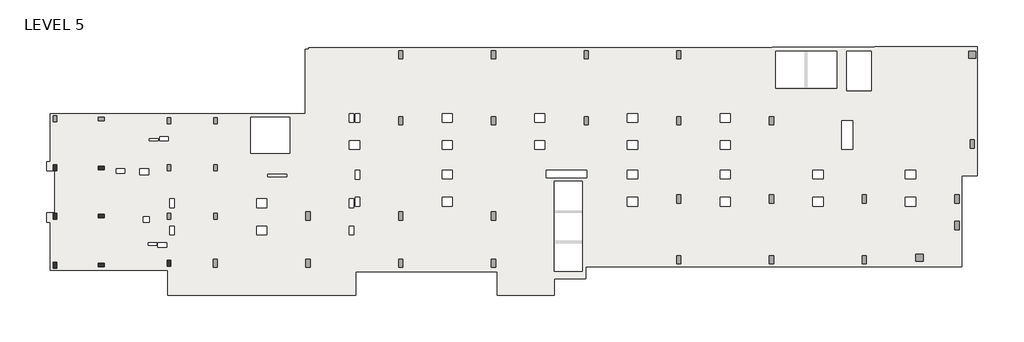
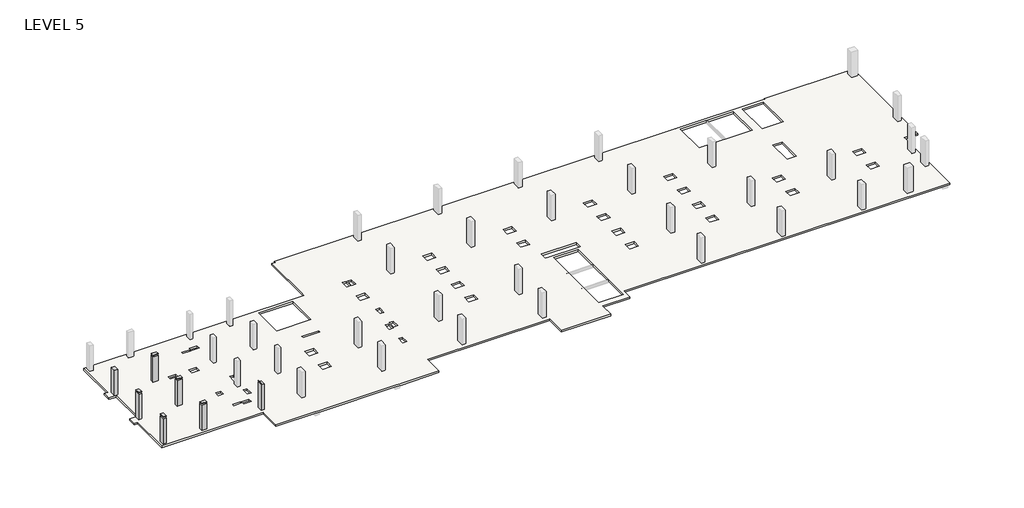
# One storey, part 1 of 2: 7 columns, 1 slab.
"""IFC4 building model written with IfcOpenShell, lengths in millimetres."""

from ifc_helpers import new_model, si_unit, frame, origin, place, context, project, spatial, polyline, outline, extrude, faceted_brep, element, save

model = new_model("IFC4")

# Units and contexts
model_context = context("Model", 3, world=origin())
ifc_project = project(units=[si_unit("LENGTHUNIT", "METRE", prefix="MILLI")], contexts=[model_context])

# Site, building, storey
site = spatial("IfcSite", under=ifc_project)
building = spatial("IfcBuilding", under=site)
storey = spatial("IfcBuildingStorey", under=building, Name="LEVEL 5", Elevation=16052.8)

# Columns
placement = place(None, origin())
element("IfcColumn", 1, ObjectType="UC Concrete-Rectangular-Column : 12 x 20", at=placement, inside=storey, context=model_context, shape_type="SweptSolid", body=[
    extrude(outline(polyline([(-12613.7610058, -25075.0962939), (-12613.7610058, -25583.0962939), (-12918.5610058, -25583.0962939), (-12918.5610058, -25075.0962939), (-12613.7610058, -25075.0962939)])), frame((0.0, 0.0, 16052.8), z_axis=(0.0, 0.0, 1.0), x_axis=(1.0, 0.0, 0.0)), (0.0, 0.0, 1.0), 2667.0),
])
element("IfcColumn", 2, ObjectType="UC Concrete-Rectangular-Column : 12 x 20", at=placement, inside=storey, context=model_context, shape_type="SweptSolid", body=[
    extrude(outline(polyline([(-9057.7610058, -25176.6962939), (-8549.7610058, -25176.6962939), (-8549.7610058, -25481.4962939), (-9057.7610058, -25481.4962939), (-9057.7610058, -25176.6962939)])), frame((0.0, 0.0, 16052.8), z_axis=(0.0, 0.0, 1.0), x_axis=(1.0, 0.0, 0.0)), (0.0, 0.0, 1.0), 2667.0),
    extrude(outline(polyline([(-9057.7610058, -25176.6962939), (-8549.7610058, -25176.6962939), (-8549.7610058, -25481.4962939), (-9057.7610058, -25481.4962939), (-9057.7610058, -25176.6962939)])), frame((0.0, 0.0, 18846.8), z_axis=(0.0, 0.0, 1.0), x_axis=(1.0, 0.0, 0.0)), (0.0, 0.0, 1.0), 50.8),
])
element("IfcColumn", 3, ObjectType="UC Concrete-Rectangular-Column : 12 x 20", at=placement, inside=storey, context=model_context, shape_type="SweptSolid", body=[
    extrude(outline(polyline([(-12613.7610058, -29189.8962158), (-12613.7610058, -29697.8962158), (-12918.5610058, -29697.8962158), (-12918.5610058, -29189.8962158), (-12613.7610058, -29189.8962158)])), frame((0.0, 0.0, 16052.8), z_axis=(0.0, 0.0, 1.0), x_axis=(1.0, 0.0, 0.0)), (0.0, 0.0, 1.0), 2667.0),
    extrude(outline(polyline([(-12613.7610058, -29189.8962158), (-12613.7610058, -29697.8962158), (-12918.5610058, -29697.8962158), (-12918.5610058, -29189.8962158), (-12613.7610058, -29189.8962158)])), frame((0.0, 0.0, 18846.8), z_axis=(0.0, 0.0, 1.0), x_axis=(1.0, 0.0, 0.0)), (0.0, 0.0, 1.0), 50.8),
])
element("IfcColumn", 4, ObjectType="UC Concrete-Rectangular-Column : 12 x 20", at=placement, inside=storey, context=model_context, shape_type="SweptSolid", body=[
    extrude(outline(polyline([(-8549.7610058, -29596.2962158), (-9057.7610058, -29596.2962158), (-9057.7610058, -29291.4962158), (-8549.7610058, -29291.4962158), (-8549.7610058, -29596.2962158)])), frame((0.0, 0.0, 16052.8), z_axis=(0.0, 0.0, 1.0), x_axis=(1.0, 0.0, 0.0)), (0.0, 0.0, 1.0), 2667.0),
    extrude(outline(polyline([(-8549.7610058, -29596.2962158), (-9057.7610058, -29596.2962158), (-9057.7610058, -29291.4962158), (-8549.7610058, -29291.4962158), (-8549.7610058, -29596.2962158)])), frame((0.0, 0.0, 18846.8), z_axis=(0.0, 0.0, 1.0), x_axis=(1.0, 0.0, 0.0)), (0.0, 0.0, 1.0), 50.8),
])
element("IfcColumn", 5, ObjectType="UC Concrete-Rectangular-Column : 12 x 20", at=placement, inside=storey, context=model_context, shape_type="SweptSolid", body=[
    extrude(outline(polyline([(-12613.7610058, -33380.9107149), (-12613.7610058, -33888.9107149), (-12918.5610058, -33888.9107149), (-12918.5610058, -33380.9107149), (-12613.7610058, -33380.9107149)])), frame((0.0, 0.0, 16052.8), z_axis=(0.0, 0.0, 1.0), x_axis=(1.0, 0.0, 0.0)), (0.0, 0.0, 1.0), 2667.0),
    extrude(outline(polyline([(-12613.7610058, -33380.9107149), (-12613.7610058, -33888.9107149), (-12918.5610058, -33888.9107149), (-12918.5610058, -33380.9107149), (-12613.7610058, -33380.9107149)])), frame((0.0, 0.0, 18846.8), z_axis=(0.0, 0.0, 1.0), x_axis=(1.0, 0.0, 0.0)), (0.0, 0.0, 1.0), 50.8),
])
element("IfcColumn", 6, ObjectType="UC Concrete-Rectangular-Column : 12 x 20", at=placement, inside=storey, context=model_context, shape_type="SweptSolid", body=[
    extrude(outline(polyline([(-9057.7610058, -33482.5107149), (-8549.7610058, -33482.5107149), (-8549.7610058, -33787.3107149), (-9057.7610058, -33787.3107149), (-9057.7610058, -33482.5107149)])), frame((0.0, 0.0, 16052.8), z_axis=(0.0, 0.0, 1.0), x_axis=(1.0, 0.0, 0.0)), (0.0, 0.0, 1.0), 2667.0),
    extrude(outline(polyline([(-9057.7610058, -33482.5107149), (-8549.7610058, -33482.5107149), (-8549.7610058, -33787.3107149), (-9057.7610058, -33787.3107149), (-9057.7610058, -33482.5107149)])), frame((0.0, 0.0, 18846.8), z_axis=(0.0, 0.0, 1.0), x_axis=(1.0, 0.0, 0.0)), (0.0, 0.0, 1.0), 50.8),
])
element("IfcColumn", 7, ObjectType="UC Concrete-Rectangular-Column : 12 x 20", at=placement, inside=storey, context=model_context, shape_type="SweptSolid", body=[
    extrude(outline(polyline([(-2860.1610058, -33228.5107149), (-2860.1610058, -33736.5107149), (-3164.9610058, -33736.5107149), (-3164.9610058, -33228.5107149), (-2860.1610058, -33228.5107149)])), frame((0.0, 0.0, 16052.8), z_axis=(0.0, 0.0, 1.0), x_axis=(1.0, 0.0, 0.0)), (0.0, 0.0, 1.0), 2667.0),
    extrude(outline(polyline([(-3120.5110058, -33736.5107149), (-3164.9610058, -33736.5107149), (-3164.9610058, -33228.5107149), (-3120.5110058, -33228.5107149), (-3120.5110058, -33736.5107149)])), frame((0.0, 0.0, 18846.8), z_axis=(0.0, 0.0, 1.0), x_axis=(1.0, 0.0, 0.0)), (0.0, 0.0, 1.0), 50.8),
])

# Slab
element("IfcSlab", 8, ObjectType="7\" Concrete", at=placement, inside=storey, context=model_context, shape_type="Brep", body=[
    faceted_brep([(64773.6889942, -25989.5107149, 15875.0), (64773.6889942, -33774.6107149, 15875.0), (32604.5889942, -33774.6107149, 15875.0), (32604.5889942, -34790.6107149, 15875.0), (29915.3639942, -34790.6107149, 15875.0), (29915.3639942, -36213.0107149, 15875.0), (25029.0393065, -36213.0107149, 15875.0), (25029.0393065, -34219.1107149, 15875.0), (12964.0386818, -34219.1107149, 15875.0), (12964.0386818, -36213.0107149, 15875.0), (9077.8389942, -36213.0107149, 15875.0), (8671.4389942, -36213.0107149, 15875.0), (1153.0389942, -36213.0107149, 15875.0), (746.6389942, -36213.0107149, 15875.0), (-3120.5110058, -36213.0107149, 15875.0), (-3120.5110058, -34060.3310305, 15875.0), (-13155.4513218, -34060.3310305, 15875.0), (-13155.4513218, -29958.2607149, 15875.0), (-13483.7110058, -29958.2607149, 15875.0), (-13483.7110058, -29183.5607149, 15875.0), (-12766.1169468, -29183.5607149, 15875.0), (-12766.1169468, -25589.4607149, 15875.0), (-13483.7110058, -25589.4607149, 15875.0), (-13483.7110058, -24814.7607149, 15875.0), (-13155.4513218, -24814.7607149, 15875.0), (-13155.4513218, -20712.6903994, 15875.0), (797.4389942, -20712.6903994, 15875.0), (8620.6389942, -20712.6903994, 15875.0), (8620.6389942, -15197.6857149, 15875.0), (8925.4389942, -15197.6857149, 15875.0), (8925.4389942, -15054.8107149, 15875.0), (48541.5014942, -15054.8107149, 15875.0), (48541.5014942, -15029.4107149, 15875.0), (57025.1014942, -15029.4107149, 15875.0), (57329.9014942, -15029.4107149, 15875.0), (57329.9014942, -14953.2107149, 15875.0), (66100.8383695, -14953.2107149, 15875.0), (66100.8383695, -25989.5107149, 15875.0), (3972.4389942, -21017.4903994, 15875.0), (3972.4389942, -24095.6232149, 15875.0), (7325.2389942, -24095.6232149, 15875.0), (7325.2389942, -21017.4903994, 15875.0), (54078.7014942, -15334.2107149, 15875.0), (48846.3014942, -15334.2107149, 15875.0), (48846.3014942, -18511.7121146, 15875.0), (54078.7014942, -18511.7121146, 15875.0), (29912.1889942, -34181.7272222, 15875.0), (32299.7889942, -34181.7272222, 15875.0), (32299.7889942, -26487.2692077, 15875.0), (29912.1889942, -26487.2692077, 15875.0), (57025.1014942, -15334.2107149, 15875.0), (54933.1413578, -15334.2107149, 15875.0), (54933.1413578, -18744.1607149, 15875.0), (57025.1014942, -18744.1607149, 15875.0), (29123.2162484, -20696.7857149, 15875.0), (28250.0617399, -20696.7857149, 15875.0), (28250.0617399, -21427.0315227, 15875.0), (29123.2162484, -21427.0315227, 15875.0), (29123.2329503, -23011.3607149, 15875.0), (28250.045038, -23011.3607149, 15875.0), (28250.045038, -23744.7857149, 15875.0), (29123.2329503, -23744.7857149, 15875.0), (37048.0162484, -20696.7857149, 15875.0), (36174.8617399, -20696.7857149, 15875.0), (36174.8617399, -21427.0315227, 15875.0), (37048.0162484, -21427.0315227, 15875.0), (37048.0329503, -23011.3607149, 15875.0), (36174.845038, -23011.3607149, 15875.0), (36174.845038, -23744.7857149, 15875.0), (37048.0329503, -23744.7857149, 15875.0), (37048.0329503, -25541.8357149, 15875.0), (36174.8784418, -25541.8357149, 15875.0), (36174.8784418, -26272.0815227, 15875.0), (37048.0329503, -26272.0815227, 15875.0), (37048.0496522, -27856.4107149, 15875.0), (36174.8617399, -27856.4107149, 15875.0), (36174.8617399, -28589.8357149, 15875.0), (37048.0496522, -28589.8357149, 15875.0), (44972.8162484, -20696.7857149, 15875.0), (44099.6617399, -20696.7857149, 15875.0), (44099.6617399, -21427.0315227, 15875.0), (44972.8162484, -21427.0315227, 15875.0), (44972.8329503, -23011.3607149, 15875.0), (44099.645038, -23011.3607149, 15875.0), (44099.645038, -23744.7857149, 15875.0), (44972.8329503, -23744.7857149, 15875.0), (44972.8329503, -25541.8357149, 15875.0), (44099.6784418, -25541.8357149, 15875.0), (44099.6784418, -26272.0815227, 15875.0), (44972.8329503, -26272.0815227, 15875.0), (44972.8496522, -27856.4107149, 15875.0), (44099.6617399, -27856.4107149, 15875.0), (44099.6617399, -28589.8357149, 15875.0), (44972.8496522, -28589.8357149, 15875.0), (55421.7306924, -21315.9107149, 15875.0), (54513.6767085, -21315.9107149, 15875.0), (54513.6767085, -23754.3107149, 15875.0), (55421.7306924, -23754.3107149, 15875.0), (52897.6329503, -25541.8357149, 15875.0), (52024.4784418, -25541.8357149, 15875.0), (52024.4784418, -26272.0815227, 15875.0), (52897.6329503, -26272.0815227, 15875.0), (52897.6496522, -27856.4107149, 15875.0), (52024.4617399, -27856.4107149, 15875.0), (52024.4617399, -28589.8357149, 15875.0), (52897.6496522, -28589.8357149, 15875.0), (60822.4329503, -25541.8357149, 15875.0), (59949.2784418, -25541.8357149, 15875.0), (59949.2784418, -26272.0815227, 15875.0), (60822.4329503, -26272.0815227, 15875.0), (60822.4496522, -27856.4107149, 15875.0), (59949.2617399, -27856.4107149, 15875.0), (59949.2617399, -28589.8357149, 15875.0), (60822.4496522, -28589.8357149, 15875.0), (21198.4162484, -20696.7857149, 15875.0), (20325.2617399, -20696.7857149, 15875.0), (20325.2617399, -21427.0315227, 15875.0), (21198.4162484, -21427.0315227, 15875.0), (21198.4329503, -23011.3607149, 15875.0), (20325.245038, -23011.3607149, 15875.0), (20325.245038, -23744.7857149, 15875.0), (21198.4329503, -23744.7857149, 15875.0), (21198.4329503, -25540.2600871, 15875.0), (20325.245038, -25540.2600871, 15875.0), (20325.245038, -26273.6850871, 15875.0), (21198.4329503, -26273.6850871, 15875.0), (21198.4329503, -27856.4247435, 15875.0), (20325.245038, -27856.4247435, 15875.0), (20325.245038, -28589.8497435, 15875.0), (21198.4329503, -28589.8497435, 15875.0), (13273.6162484, -23011.3747435, 15875.0), (12400.4283362, -23011.3747435, 15875.0), (12400.4283362, -23744.7997435, 15875.0), (13273.6162484, -23744.7997435, 15875.0), (13273.6329503, -25549.7872435, 15875.0), (12898.9511818, -25549.7872435, 15875.0), (12898.9511818, -26283.2122435, 15875.0), (13273.6329503, -26283.2122435, 15875.0), (13273.6329503, -27858.0306162, 15875.0), (12898.9511818, -27858.0306162, 15875.0), (12898.9511818, -28591.4556162, 15875.0), (13273.6329503, -28591.4556162, 15875.0), (12775.1350013, -27980.26602, 15875.0), (12400.4532328, -27980.26602, 15875.0), (12400.4532328, -28713.69102, 15875.0), (12775.1350013, -28713.69102, 15875.0), (12775.1350013, -30296.4143396, 15875.0), (12400.4532328, -30296.4143396, 15875.0), (12400.4532328, -31029.8393396, 15875.0), (12775.1350013, -31029.8393396, 15875.0), (5348.8159361, -30296.4143396, 15875.0), (4475.6620523, -30296.4143396, 15875.0), (4475.6620523, -31029.8393396, 15875.0), (5348.8159361, -31029.8393396, 15875.0), (-4736.5860058, -25391.0377141, 15875.0), (-5495.4110058, -25391.0377141, 15875.0), (-5495.4110058, -25894.3063579, 15875.0), (-4736.5860058, -25894.3063579, 15875.0), (-2575.9840639, -30297.9899072, 15875.0), (-2936.3610058, -30297.9899072, 15875.0), (-2936.3610058, -31028.2357149, 15875.0), (-2575.9840639, -31028.2357149, 15875.0), (-2575.9673621, -27980.2327488, 15875.0), (-2936.3610058, -27980.2327488, 15875.0), (-2936.3610058, -28713.6577488, 15875.0), (-2575.9673621, -28713.6577488, 15875.0), (-3955.5318136, -31734.6434324, 15875.0), (-3955.5318136, -32129.9453743, 15875.0), (-3212.5860058, -32129.9453743, 15875.0), (-3212.5860058, -31734.6434324, 15875.0), (-4809.6068136, -31744.9675477, 15875.0), (-4809.6068136, -31933.1120762, 15875.0), (-4050.7818136, -31933.1120762, 15875.0), (-4050.7818136, -31744.9675477, 15875.0), (13273.6245994, -20696.7857149, 15875.0), (12898.9428309, -20696.7857149, 15875.0), (12898.9428309, -21427.0315227, 15875.0), (13273.6245994, -21427.0315227, 15875.0), (12775.1351575, -20696.7857149, 15875.0), (12400.453389, -20696.7857149, 15875.0), (12400.453389, -21427.0315227, 15875.0), (12775.1351575, -21427.0315227, 15875.0), (-4685.7818136, -22839.9093537, 15875.0), (-4685.7818136, -23025.6779974, 15875.0), (-3926.9568136, -23025.6779974, 15875.0), (-3926.9568136, -22839.9093537, 15875.0), (-5207.5557798, -29505.837636, 15875.0), (-5207.5557798, -29980.4953131, 15875.0), (-4708.0110058, -29980.4953131, 15875.0), (-4708.0110058, -29505.837636, 15875.0), (29254.9639942, -25513.2607149, 15875.0), (29254.9639942, -26182.4692077, 15875.0), (29454.9889942, -26182.4692077, 15875.0), (32604.5889942, -26182.4692077, 15875.0), (32693.4889942, -26182.4692077, 15875.0), (32693.4889942, -25513.2607149, 15875.0), (7044.9556867, -25881.5621481, 15875.0), (5407.1871152, -25881.5621481, 15875.0), (5407.1871152, -26084.7621481, 15875.0), (7044.9556867, -26084.7621481, 15875.0), (5348.8159361, -27981.0375273, 15875.0), (4475.6620523, -27981.0375273, 15875.0), (4475.6620523, -28714.4625273, 15875.0), (5348.8159361, -28714.4625273, 15875.0), (-7516.3006019, -25401.3473693, 15875.0), (-7516.3006019, -25776.0291377, 15875.0), (-6782.8756019, -25776.0291377, 15875.0), (-6782.8756019, -25401.3473693, 15875.0), (-3826.9323811, -22647.0361423, 15875.0), (-3826.9323811, -23021.7179107, 15875.0), (-3093.5073811, -23021.7179107, 15875.0), (-3093.5073811, -22647.0361423, 15875.0), (64773.6889942, -33774.6107149, 16052.8), (64773.6889942, -25989.5107149, 16052.8), (66100.8383695, -25989.5107149, 16052.8), (66100.8383695, -14953.2107149, 16052.8), (57329.9014942, -14953.2107149, 16052.8), (57329.9014942, -15029.4107149, 16052.8), (57025.1014942, -15029.4107149, 16052.8), (48541.5014942, -15029.4107149, 16052.8), (48541.5014942, -15054.8107149, 16052.8), (8925.4389942, -15054.8107149, 16052.8), (8925.4389942, -15197.6857149, 16052.8), (8620.6389942, -15197.6857149, 16052.8), (8620.6389942, -20712.6903994, 16052.8), (-13155.4513218, -20712.6903994, 16052.8), (-13155.4513218, -24814.7607149, 16052.8), (-13483.7110058, -24814.7607149, 16052.8), (-13483.7110058, -25589.4607149, 16052.8), (-12766.1169468, -25589.4607149, 16052.8), (-12766.1169468, -29183.5607149, 16052.8), (-13483.7110058, -29183.5607149, 16052.8), (-13483.7110058, -29958.2607149, 16052.8), (-13155.4513218, -29958.2607149, 16052.8), (-13155.4513218, -34060.3310305, 16052.8), (-3120.5110058, -34060.3310305, 16052.8), (-3120.5110058, -36213.0107149, 16052.8), (12964.0386818, -36213.0107149, 16052.8), (12964.0386818, -34219.1107149, 16052.8), (25029.0393065, -34219.1107149, 16052.8), (25029.0393065, -36213.0107149, 16052.8), (29915.3639942, -36213.0107149, 16052.8), (29915.3639942, -34790.6107149, 16052.8), (32604.5889942, -34790.6107149, 16052.8), (32604.5889942, -33774.6107149, 16052.8), (3972.4389942, -24095.6232149, 16052.8), (3972.4389942, -21017.4903994, 16052.8), (7325.2389942, -21017.4903994, 16052.8), (7325.2389942, -24095.6232149, 16052.8), (48846.3014942, -15334.2107149, 16052.8), (54078.7014942, -15334.2107149, 16052.8), (54078.7014942, -18511.7121146, 16052.8), (48846.3014942, -18511.7121146, 16052.8), (32299.7889942, -34181.7272222, 16052.8), (29912.1889942, -34181.7272222, 16052.8), (29912.1889942, -26487.2692077, 16052.8), (32299.7889942, -26487.2692077, 16052.8), (54933.1413578, -15334.2107149, 16052.8), (57025.1014942, -15334.2107149, 16052.8), (57025.1014942, -18744.1607149, 16052.8), (54933.1413578, -18744.1607149, 16052.8), (28250.0617399, -20696.7857149, 16052.8), (29123.2162484, -20696.7857149, 16052.8), (29123.2162484, -21427.0315227, 16052.8), (28250.0617399, -21427.0315227, 16052.8), (28250.045038, -23011.3607149, 16052.8), (29123.2329503, -23011.3607149, 16052.8), (29123.2329503, -23744.7857149, 16052.8), (28250.045038, -23744.7857149, 16052.8), (36174.8617399, -20696.7857149, 16052.8), (37048.0162484, -20696.7857149, 16052.8), (37048.0162484, -21427.0315227, 16052.8), (36174.8617399, -21427.0315227, 16052.8), (36174.845038, -23011.3607149, 16052.8), (37048.0329503, -23011.3607149, 16052.8), (37048.0329503, -23744.7857149, 16052.8), (36174.845038, -23744.7857149, 16052.8), (36174.8784418, -25541.8357149, 16052.8), (37048.0329503, -25541.8357149, 16052.8), (37048.0329503, -26272.0815227, 16052.8), (36174.8784418, -26272.0815227, 16052.8), (36174.8617399, -27856.4107149, 16052.8), (37048.0496522, -27856.4107149, 16052.8), (37048.0496522, -28589.8357149, 16052.8), (36174.8617399, -28589.8357149, 16052.8), (44099.6617399, -20696.7857149, 16052.8), (44972.8162484, -20696.7857149, 16052.8), (44972.8162484, -21427.0315227, 16052.8), (44099.6617399, -21427.0315227, 16052.8), (44099.645038, -23011.3607149, 16052.8), (44972.8329503, -23011.3607149, 16052.8), (44972.8329503, -23744.7857149, 16052.8), (44099.645038, -23744.7857149, 16052.8), (44099.6784418, -25541.8357149, 16052.8), (44972.8329503, -25541.8357149, 16052.8), (44972.8329503, -26272.0815227, 16052.8), (44099.6784418, -26272.0815227, 16052.8), (44099.6617399, -27856.4107149, 16052.8), (44972.8496522, -27856.4107149, 16052.8), (44972.8496522, -28589.8357149, 16052.8), (44099.6617399, -28589.8357149, 16052.8), (54513.6767085, -21315.9107149, 16052.8), (55421.7306924, -21315.9107149, 16052.8), (55421.7306924, -23754.3107149, 16052.8), (54513.6767085, -23754.3107149, 16052.8), (52024.4784418, -25541.8357149, 16052.8), (52897.6329503, -25541.8357149, 16052.8), (52897.6329503, -26272.0815227, 16052.8), (52024.4784418, -26272.0815227, 16052.8), (52024.4617399, -27856.4107149, 16052.8), (52897.6496522, -27856.4107149, 16052.8), (52897.6496522, -28589.8357149, 16052.8), (52024.4617399, -28589.8357149, 16052.8), (59949.2784418, -25541.8357149, 16052.8), (60822.4329503, -25541.8357149, 16052.8), (60822.4329503, -26272.0815227, 16052.8), (59949.2784418, -26272.0815227, 16052.8), (59949.2617399, -27856.4107149, 16052.8), (60822.4496522, -27856.4107149, 16052.8), (60822.4496522, -28589.8357149, 16052.8), (59949.2617399, -28589.8357149, 16052.8), (20325.2617399, -20696.7857149, 16052.8), (21198.4162484, -20696.7857149, 16052.8), (21198.4162484, -21427.0315227, 16052.8), (20325.2617399, -21427.0315227, 16052.8), (20325.245038, -23011.3607149, 16052.8), (21198.4329503, -23011.3607149, 16052.8), (21198.4329503, -23744.7857149, 16052.8), (20325.245038, -23744.7857149, 16052.8), (20325.245038, -25540.2600871, 16052.8), (21198.4329503, -25540.2600871, 16052.8), (21198.4329503, -26273.6850871, 16052.8), (20325.245038, -26273.6850871, 16052.8), (20325.245038, -27856.4247435, 16052.8), (21198.4329503, -27856.4247435, 16052.8), (21198.4329503, -28589.8497435, 16052.8), (20325.245038, -28589.8497435, 16052.8), (12400.4283362, -23011.3747435, 16052.8), (13273.6162484, -23011.3747435, 16052.8), (13273.6162484, -23744.7997435, 16052.8), (12400.4283362, -23744.7997435, 16052.8), (12898.9511818, -25549.7872435, 16052.8), (13273.6329503, -25549.7872435, 16052.8), (13273.6329503, -26283.2122435, 16052.8), (12898.9511818, -26283.2122435, 16052.8), (12898.9511818, -27858.0306162, 16052.8), (13273.6329503, -27858.0306162, 16052.8), (13273.6329503, -28591.4556162, 16052.8), (12898.9511818, -28591.4556162, 16052.8), (12400.4532328, -27980.26602, 16052.8), (12775.1350013, -27980.26602, 16052.8), (12775.1350013, -28713.69102, 16052.8), (12400.4532328, -28713.69102, 16052.8), (12400.4532328, -30296.4143396, 16052.8), (12775.1350013, -30296.4143396, 16052.8), (12775.1350013, -31029.8393396, 16052.8), (12400.4532328, -31029.8393396, 16052.8), (4475.6620523, -30296.4143396, 16052.8), (5348.8159361, -30296.4143396, 16052.8), (5348.8159361, -31029.8393396, 16052.8), (4475.6620523, -31029.8393396, 16052.8), (-5495.4110058, -25391.0377141, 16052.8), (-4736.5860058, -25391.0377141, 16052.8), (-4736.5860058, -25894.3063579, 16052.8), (-5495.4110058, -25894.3063579, 16052.8), (-2936.3610058, -30297.9899072, 16052.8), (-2575.9840639, -30297.9899072, 16052.8), (-2575.9840639, -31028.2357149, 16052.8), (-2936.3610058, -31028.2357149, 16052.8), (-2936.3610058, -27980.2327488, 16052.8), (-2575.9673621, -27980.2327488, 16052.8), (-2575.9673621, -28713.6577488, 16052.8), (-2936.3610058, -28713.6577488, 16052.8), (-3955.5318136, -32129.9453743, 16052.8), (-3955.5318136, -31734.6434324, 16052.8), (-3212.5860058, -31734.6434324, 16052.8), (-3212.5860058, -32129.9453743, 16052.8), (-4809.6068136, -31933.1120762, 16052.8), (-4809.6068136, -31744.9675477, 16052.8), (-4050.7818136, -31744.9675477, 16052.8), (-4050.7818136, -31933.1120762, 16052.8), (12898.9428309, -20696.7857149, 16052.8), (13273.6245994, -20696.7857149, 16052.8), (13273.6245994, -21427.0315227, 16052.8), (12898.9428309, -21427.0315227, 16052.8), (12400.453389, -20696.7857149, 16052.8), (12775.1351575, -20696.7857149, 16052.8), (12775.1351575, -21427.0315227, 16052.8), (12400.453389, -21427.0315227, 16052.8), (-4685.7818136, -23025.6779974, 16052.8), (-4685.7818136, -22839.9093537, 16052.8), (-3926.9568136, -22839.9093537, 16052.8), (-3926.9568136, -23025.6779974, 16052.8), (-5207.5557798, -29980.4953131, 16052.8), (-5207.5557798, -29505.837636, 16052.8), (-4708.0110058, -29505.837636, 16052.8), (-4708.0110058, -29980.4953131, 16052.8), (29254.9639942, -26182.4692077, 16052.8), (29254.9639942, -25513.2607149, 16052.8), (32693.4889942, -25513.2607149, 16052.8), (32693.4889942, -26182.4692077, 16052.8), (32604.5889942, -26182.4692077, 16052.8), (29454.9889942, -26182.4692077, 16052.8), (5407.1871152, -25881.5621481, 16052.8), (7044.9556867, -25881.5621481, 16052.8), (7044.9556867, -26084.7621481, 16052.8), (5407.1871152, -26084.7621481, 16052.8), (4475.6620523, -27981.0375273, 16052.8), (5348.8159361, -27981.0375273, 16052.8), (5348.8159361, -28714.4625273, 16052.8), (4475.6620523, -28714.4625273, 16052.8), (-7516.3006019, -25776.0291377, 16052.8), (-7516.3006019, -25401.3473693, 16052.8), (-6782.8756019, -25401.3473693, 16052.8), (-6782.8756019, -25776.0291377, 16052.8), (-3826.9323811, -23021.7179107, 16052.8), (-3826.9323811, -22647.0361423, 16052.8), (-3093.5073811, -22647.0361423, 16052.8), (-3093.5073811, -23021.7179107, 16052.8)], [[[0, 1, 2, 3, 4, 5, 6, 7, 8, 9, 10, 11, 12, 13, 14, 15, 16, 17, 18, 19, 20, 21, 22, 23, 24, 25, 26, 27, 28, 29, 30, 31, 32, 33, 34, 35, 36, 37], [38, 39, 40, 41], [42, 43, 44, 45], [46, 47, 48, 49], [50, 51, 52, 53], [54, 55, 56, 57], [58, 59, 60, 61], [62, 63, 64, 65], [66, 67, 68, 69], [70, 71, 72, 73], [74, 75, 76, 77], [78, 79, 80, 81], [82, 83, 84, 85], [86, 87, 88, 89], [90, 91, 92, 93], [94, 95, 96, 97], [98, 99, 100, 101], [102, 103, 104, 105], [106, 107, 108, 109], [110, 111, 112, 113], [114, 115, 116, 117], [118, 119, 120, 121], [122, 123, 124, 125], [126, 127, 128, 129], [130, 131, 132, 133], [134, 135, 136, 137], [138, 139, 140, 141], [142, 143, 144, 145], [146, 147, 148, 149], [150, 151, 152, 153], [154, 155, 156, 157], [158, 159, 160, 161], [162, 163, 164, 165], [166, 167, 168, 169], [170, 171, 172, 173], [174, 175, 176, 177], [178, 179, 180, 181], [182, 183, 184, 185], [186, 187, 188, 189], [190, 191, 192, 193, 194, 195], [196, 197, 198, 199], [200, 201, 202, 203], [204, 205, 206, 207], [208, 209, 210, 211]], [[212, 213, 214, 215, 216, 217, 218, 219, 220, 221, 222, 223, 224, 225, 226, 227, 228, 229, 230, 231, 232, 233, 234, 235, 236, 237, 238, 239, 240, 241, 242, 243, 244], [245, 246, 247, 248], [249, 250, 251, 252], [253, 254, 255, 256], [257, 258, 259, 260], [261, 262, 263, 264], [265, 266, 267, 268], [269, 270, 271, 272], [273, 274, 275, 276], [277, 278, 279, 280], [281, 282, 283, 284], [285, 286, 287, 288], [289, 290, 291, 292], [293, 294, 295, 296], [297, 298, 299, 300], [301, 302, 303, 304], [305, 306, 307, 308], [309, 310, 311, 312], [313, 314, 315, 316], [317, 318, 319, 320], [321, 322, 323, 324], [325, 326, 327, 328], [329, 330, 331, 332], [333, 334, 335, 336], [337, 338, 339, 340], [341, 342, 343, 344], [345, 346, 347, 348], [349, 350, 351, 352], [353, 354, 355, 356], [357, 358, 359, 360], [361, 362, 363, 364], [365, 366, 367, 368], [369, 370, 371, 372], [373, 374, 375, 376], [377, 378, 379, 380], [381, 382, 383, 384], [385, 386, 387, 388], [389, 390, 391, 392], [393, 394, 395, 396], [397, 398, 399, 400, 401, 402], [403, 404, 405, 406], [407, 408, 409, 410], [411, 412, 413, 414], [415, 416, 417, 418]], [[245, 39, 38, 246]], [[39, 245, 248, 40]], [[40, 248, 247, 41]], [[42, 250, 249, 43]], [[252, 44, 43, 249]], [[44, 252, 251, 45]], [[250, 42, 45, 251]], [[46, 254, 253, 47]], [[47, 253, 256, 48]], [[48, 256, 255, 49]], [[254, 46, 49, 255]], [[50, 258, 257, 51]], [[51, 257, 260, 52]], [[52, 260, 259, 53]], [[258, 50, 53, 259]], [[1, 0, 213, 212]], [[2, 1, 212, 244]], [[3, 2, 244, 243]], [[4, 3, 243, 242]], [[5, 4, 242, 241]], [[6, 5, 241, 240]], [[7, 6, 240, 239]], [[8, 7, 239, 238]], [[9, 8, 238, 237]], [[14, 13, 12, 11, 10, 9, 237, 236]], [[15, 14, 236, 235]], [[16, 15, 235, 234]], [[17, 16, 234, 233]], [[18, 17, 233, 232]], [[23, 22, 228, 227]], [[24, 23, 227, 226]], [[25, 24, 226, 225]], [[27, 26, 25, 225, 224]], [[30, 29, 222, 221]], [[31, 30, 221, 220]], [[32, 31, 220, 219]], [[34, 33, 32, 219, 218, 217]], [[35, 34, 217, 216]], [[36, 35, 216, 215]], [[37, 36, 215, 214]], [[0, 37, 214, 213]], [[54, 262, 261, 55]], [[55, 261, 264, 56]], [[56, 264, 263, 57]], [[262, 54, 57, 263]], [[58, 266, 265, 59]], [[59, 265, 268, 60]], [[60, 268, 267, 61]], [[266, 58, 61, 267]], [[62, 270, 269, 63]], [[63, 269, 272, 64]], [[64, 272, 271, 65]], [[270, 62, 65, 271]], [[66, 274, 273, 67]], [[67, 273, 276, 68]], [[68, 276, 275, 69]], [[274, 66, 69, 275]], [[70, 278, 277, 71]], [[71, 277, 280, 72]], [[72, 280, 279, 73]], [[278, 70, 73, 279]], [[74, 282, 281, 75]], [[75, 281, 284, 76]], [[76, 284, 283, 77]], [[282, 74, 77, 283]], [[78, 286, 285, 79]], [[79, 285, 288, 80]], [[80, 288, 287, 81]], [[286, 78, 81, 287]], [[82, 290, 289, 83]], [[83, 289, 292, 84]], [[84, 292, 291, 85]], [[290, 82, 85, 291]], [[86, 294, 293, 87]], [[87, 293, 296, 88]], [[88, 296, 295, 89]], [[294, 86, 89, 295]], [[90, 298, 297, 91]], [[91, 297, 300, 92]], [[92, 300, 299, 93]], [[298, 90, 93, 299]], [[94, 302, 301, 95]], [[95, 301, 304, 96]], [[96, 304, 303, 97]], [[302, 94, 97, 303]], [[98, 306, 305, 99]], [[99, 305, 308, 100]], [[100, 308, 307, 101]], [[306, 98, 101, 307]], [[102, 310, 309, 103]], [[103, 309, 312, 104]], [[104, 312, 311, 105]], [[310, 102, 105, 311]], [[106, 314, 313, 107]], [[107, 313, 316, 108]], [[108, 316, 315, 109]], [[314, 106, 109, 315]], [[110, 318, 317, 111]], [[111, 317, 320, 112]], [[112, 320, 319, 113]], [[318, 110, 113, 319]], [[114, 322, 321, 115]], [[115, 321, 324, 116]], [[116, 324, 323, 117]], [[322, 114, 117, 323]], [[118, 326, 325, 119]], [[119, 325, 328, 120]], [[120, 328, 327, 121]], [[326, 118, 121, 327]], [[122, 330, 329, 123]], [[123, 329, 332, 124]], [[124, 332, 331, 125]], [[330, 122, 125, 331]], [[126, 334, 333, 127]], [[127, 333, 336, 128]], [[128, 336, 335, 129]], [[334, 126, 129, 335]], [[130, 338, 337, 131]], [[131, 337, 340, 132]], [[132, 340, 339, 133]], [[338, 130, 133, 339]], [[134, 342, 341, 135]], [[135, 341, 344, 136]], [[136, 344, 343, 137]], [[342, 134, 137, 343]], [[138, 346, 345, 139]], [[139, 345, 348, 140]], [[140, 348, 347, 141]], [[346, 138, 141, 347]], [[142, 350, 349, 143]], [[143, 349, 352, 144]], [[144, 352, 351, 145]], [[350, 142, 145, 351]], [[146, 354, 353, 147]], [[147, 353, 356, 148]], [[148, 356, 355, 149]], [[354, 146, 149, 355]], [[150, 358, 357, 151]], [[151, 357, 360, 152]], [[152, 360, 359, 153]], [[358, 150, 153, 359]], [[200, 408, 407, 201]], [[201, 407, 410, 202]], [[202, 410, 409, 203]], [[408, 200, 203, 409]], [[154, 362, 361, 155]], [[155, 361, 364, 156]], [[156, 364, 363, 157]], [[362, 154, 157, 363]], [[158, 366, 365, 159]], [[159, 365, 368, 160]], [[160, 368, 367, 161]], [[366, 158, 161, 367]], [[162, 370, 369, 163]], [[163, 369, 372, 164]], [[164, 372, 371, 165]], [[370, 162, 165, 371]], [[166, 374, 373, 167]], [[167, 373, 376, 168]], [[168, 376, 375, 169]], [[374, 166, 169, 375]], [[204, 412, 411, 205]], [[205, 411, 414, 206]], [[206, 414, 413, 207]], [[412, 204, 207, 413]], [[208, 416, 415, 209]], [[209, 415, 418, 210]], [[210, 418, 417, 211]], [[416, 208, 211, 417]], [[170, 378, 377, 171]], [[171, 377, 380, 172]], [[172, 380, 379, 173]], [[378, 170, 173, 379]], [[174, 382, 381, 175]], [[175, 381, 384, 176]], [[176, 384, 383, 177]], [[382, 174, 177, 383]], [[178, 386, 385, 179]], [[179, 385, 388, 180]], [[180, 388, 387, 181]], [[386, 178, 181, 387]], [[182, 390, 389, 183]], [[183, 389, 392, 184]], [[184, 392, 391, 185]], [[390, 182, 185, 391]], [[186, 394, 393, 187]], [[187, 393, 396, 188]], [[188, 396, 395, 189]], [[394, 186, 189, 395]], [[190, 398, 397, 191]], [[191, 397, 402, 401, 400, 194, 193, 192]], [[194, 400, 399, 195]], [[398, 190, 195, 399]], [[196, 404, 403, 197]], [[197, 403, 406, 198]], [[198, 406, 405, 199]], [[404, 196, 199, 405]], [[28, 27, 224, 223]], [[29, 28, 223, 222]], [[19, 18, 232, 231]], [[20, 19, 231, 230]], [[21, 20, 230, 229]], [[22, 21, 229, 228]], [[246, 38, 41, 247]]]),
])

save(model, "model.ifc")
